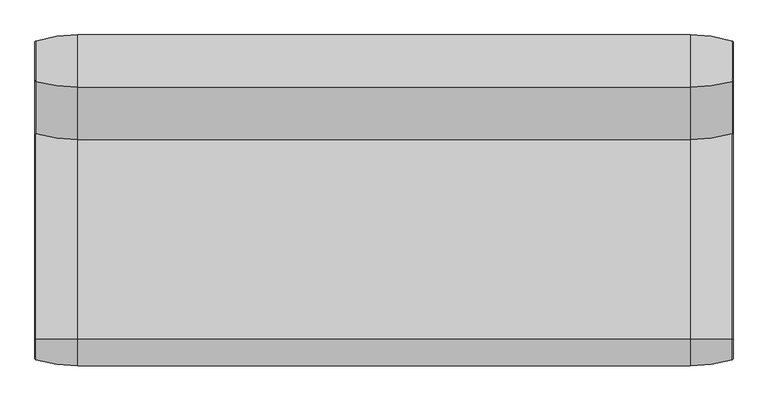
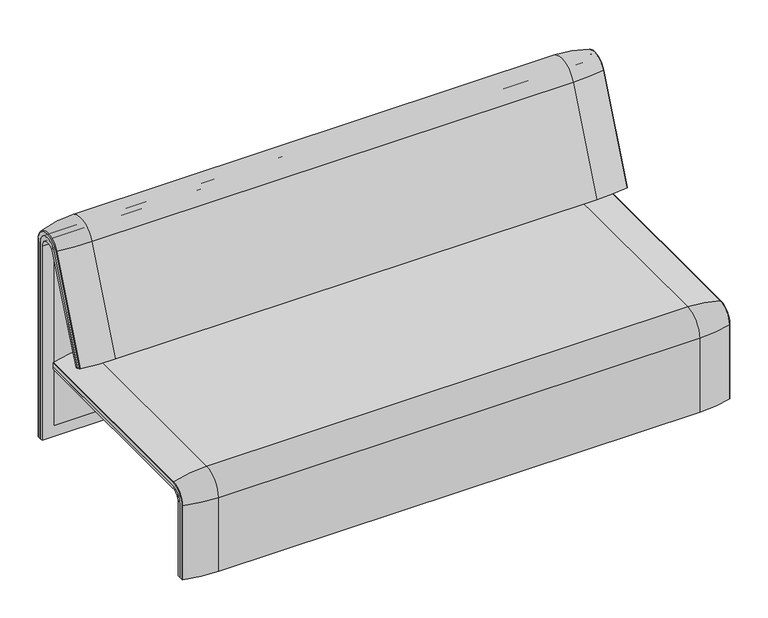
"""IFC4 building model written with IfcOpenShell, lengths in millimetres: furniture geometry."""

from ifc_helpers import new_model, si_unit, point, frame, frame_2d, origin, place, context, project, spatial, polyline, circle_curve, ellipse_curve, trimmed, segment, composite_curve, outline, extrude, source, transform, mapped, element, save
from ifc_brep_helpers import plane_surface, cylinder_surface, revolved_surface, advanced_brep


def furniture_72bfcc3a(model_context):
    return source(origin(), model_context, "Body", "SolidModel", [
        extrude(outline(composite_curve([segment(trimmed(circle_curve(frame_2d((305.0000061, 379.9223263)), 30.0), [point((305.0000061, 349.9223263))], [point((335.0000061, 379.9223263))], True, "CARTESIAN"), True, "CONTINUOUS"), segment(polyline([(335.0000061, 379.9223263), (335.0000061, 515.0657595)]), True, "CONTINUOUS"), segment(trimmed(circle_curve(frame_2d((305.0000061, 515.0657595)), 30.0), [point((335.0000061, 515.0657595))], [point((316.7219399, 542.6809051))], True, "CARTESIAN"), True, "CONTINUOUS"), segment(polyline([(316.7219399, 542.6809051), (257.4911714, 567.8228747)]), True, "CONTINUOUS"), segment(trimmed(circle_curve(frame_2d((251.6302045, 554.0153019)), 15.0), [point((257.4911714, 567.8228747))], [point((238.0355877, 560.3545758))], True, "CARTESIAN"), True, "CONTINUOUS"), segment(polyline([(238.0355877, 560.3545758), (222.2725218, 526.5505721), (213.7507451, 529.5682915), (296.3054528, 724.0549949)]), True, "CONTINUOUS"), segment(trimmed(circle_curve(frame_2d((322.520748, 712.9272623)), 28.479258), [point((296.3054528, 724.0549949))], [point((351.0000061, 712.9272623))], False, "CARTESIAN"), True, "CONTINUOUS"), segment(polyline([(351.0000061, 712.9272623), (351.0000061, 197.0551771), (343.3075759, 197.0551771), (339.4064861, 271.492405)]), True, "CONTINUOUS"), segment(trimmed(circle_curve(frame_2d((309.4476, 269.9223263)), 30.0), [point((339.4064861, 271.492405))], [point((309.4476, 299.9223263))], True, "CARTESIAN"), True, "CONTINUOUS"), segment(polyline([(309.4476, 299.9223263), (270.0000061, 299.9223263), (270.0000061, 359.9223263), (275.0000061, 359.9223263)]), True, "CONTINUOUS"), segment(trimmed(circle_curve(frame_2d((285.0000061, 359.9223263)), 10.0), [point((275.0000061, 359.9223263))], [point((285.0000061, 349.9223263))], True, "CARTESIAN"), True, "CONTINUOUS"), segment(polyline([(285.0000061, 349.9223263), (305.0000061, 349.9223263)]), True, "CONTINUOUS")], self_intersect=False), holes=[composite_curve([segment(polyline([(337.5000061, 576.3274105), (337.5000061, 716.7072663)]), True, "CONTINUOUS"), segment(trimmed(circle_curve(frame_2d((322.5000061, 716.7072663)), 15.0), [point((337.5000061, 716.7072663))], [point((308.9053893, 723.0465402))], True, "CARTESIAN"), True, "CONTINUOUS"), segment(polyline([(308.9053893, 723.0465402), (253.6256191, 604.4986904)]), True, "CONTINUOUS"), segment(trimmed(circle_curve(frame_2d((271.7517748, 596.0463251)), 20.0), [point((253.6256191, 604.4986904))], [point((265.0756376, 577.1934953))], True, "CARTESIAN"), True, "CONTINUOUS"), segment(polyline([(265.0756376, 577.1934953), (314.1406626, 559.8186587)]), True, "CONTINUOUS"), segment(trimmed(circle_curve(frame_2d((319.9867182, 576.3274105)), 17.5132879), [point((314.1406626, 559.8186587))], [point((337.5000061, 576.3274105))], True, "CARTESIAN"), True, "CONTINUOUS")], self_intersect=False)]), frame((530.986452, 0.0, 0.0), z_axis=(1.0, 0.0, 0.0), x_axis=(0.0, 1.0, 0.0)), (0.0, 0.0, 1.0), 40.0),
        extrude(outline(composite_curve([segment(trimmed(circle_curve(frame_2d((305.0000061, 379.9223263)), 30.0), [point((305.0000061, 349.9223263))], [point((335.0000061, 379.9223263))], True, "CARTESIAN"), True, "CONTINUOUS"), segment(polyline([(335.0000061, 379.9223263), (335.0000061, 515.0657595)]), True, "CONTINUOUS"), segment(trimmed(circle_curve(frame_2d((305.0000061, 515.0657595)), 30.0), [point((335.0000061, 515.0657595))], [point((316.7219399, 542.6809051))], True, "CARTESIAN"), True, "CONTINUOUS"), segment(polyline([(316.7219399, 542.6809051), (257.4911714, 567.8228747)]), True, "CONTINUOUS"), segment(trimmed(circle_curve(frame_2d((251.6302045, 554.0153019)), 15.0), [point((257.4911714, 567.8228747))], [point((238.0355877, 560.3545758))], True, "CARTESIAN"), True, "CONTINUOUS"), segment(polyline([(238.0355877, 560.3545758), (222.2725218, 526.5505721), (213.7507451, 529.5682915), (296.3054528, 724.0549949)]), True, "CONTINUOUS"), segment(trimmed(circle_curve(frame_2d((322.520748, 712.9272623)), 28.479258), [point((296.3054528, 724.0549949))], [point((351.0000061, 712.9272623))], False, "CARTESIAN"), True, "CONTINUOUS"), segment(polyline([(351.0000061, 712.9272623), (351.0000061, 197.0551771), (343.3075759, 197.0551771), (339.4064861, 271.492405)]), True, "CONTINUOUS"), segment(trimmed(circle_curve(frame_2d((309.4476, 269.9223263)), 30.0), [point((339.4064861, 271.492405))], [point((309.4476, 299.9223263))], True, "CARTESIAN"), True, "CONTINUOUS"), segment(polyline([(309.4476, 299.9223263), (270.0000061, 299.9223263), (270.0000061, 359.9223263), (275.0000061, 359.9223263)]), True, "CONTINUOUS"), segment(trimmed(circle_curve(frame_2d((285.0000061, 359.9223263)), 10.0), [point((275.0000061, 359.9223263))], [point((285.0000061, 349.9223263))], True, "CARTESIAN"), True, "CONTINUOUS"), segment(polyline([(285.0000061, 349.9223263), (305.0000061, 349.9223263)]), True, "CONTINUOUS")], self_intersect=False), holes=[composite_curve([segment(polyline([(337.5000061, 576.3274105), (337.5000061, 716.7072663)]), True, "CONTINUOUS"), segment(trimmed(circle_curve(frame_2d((322.5000061, 716.7072663)), 15.0), [point((337.5000061, 716.7072663))], [point((308.9053893, 723.0465402))], True, "CARTESIAN"), True, "CONTINUOUS"), segment(polyline([(308.9053893, 723.0465402), (253.6256191, 604.4986904)]), True, "CONTINUOUS"), segment(trimmed(circle_curve(frame_2d((271.7517748, 596.0463251)), 20.0), [point((253.6256191, 604.4986904))], [point((265.0756376, 577.1934953))], True, "CARTESIAN"), True, "CONTINUOUS"), segment(polyline([(265.0756376, 577.1934953), (314.1406626, 559.8186587)]), True, "CONTINUOUS"), segment(trimmed(circle_curve(frame_2d((319.9867182, 576.3274105)), 17.5132879), [point((314.1406626, 559.8186587))], [point((337.5000061, 576.3274105))], True, "CARTESIAN"), True, "CONTINUOUS")], self_intersect=False)]), frame((1060.9760457, 0.0, 0.0), z_axis=(1.0, 0.0, 0.0), x_axis=(0.0, 1.0, 0.0)), (0.0, 0.0, 1.0), 40.0),
        advanced_brep(
        [(1223.9884174, 351.0000061, 101.8476716), (1223.9884174, 359.7858817, 101.8476716), (1223.9884174, 359.7858817, 720.3417731), (1223.9884174, 292.4403877, 733.7122262), (1223.9884174, 170.1966807, 437.98305), (1223.9884174, 175.0204081, 435.9866665), (1223.9884174, 296.2458652, 723.9869215), (1223.9884174, 351.0000061, 712.9272623), (-408.0071685, 351.0000061, 101.8476716), (-408.0071685, 351.0000061, 712.9272623), (-408.0071685, 296.2720241, 723.9759107), (-408.0071685, 175.0204081, 435.9866665), (-408.0071685, 170.1966807, 437.98305), (-408.0071685, 292.4403877, 733.7122262), (-408.0071685, 359.7858817, 720.3417731), (-408.0071685, 359.7858817, 101.8476716), (1189.0718733, 292.4403877, 733.7122262), (1189.0718733, 176.0980387, 452.25948), (-373.1237127, 176.0980387, 452.25948), (-373.1237127, 292.4403877, 733.7122262), (-373.1237127, 296.2458652, 723.9869215), (-373.1237127, 181.0136548, 450.2250668), (1189.0718733, 181.0136548, 450.2250668), (1189.0718733, 296.2458652, 723.9869215), (1189.0718733, 351.0000061, 712.9272623), (1189.0718733, 351.0000061, 135.3766997), (-373.1237127, 351.0000061, 135.3766997), (-373.1237127, 351.0000061, 712.9272623), (-373.1237127, 359.7858817, 720.3417731), (-373.1237127, 359.7858817, 135.3766997), (1189.0718733, 359.7858817, 135.3766997), (1189.0718733, 359.7858817, 720.3417731)],
        [
            (0, 1),
            (1, 2),
            (2, 3, circle_curve(frame((1223.9884174, 324.7858817, 720.3417731), z_axis=(1.0, 0.0, 0.0), x_axis=(0.0, -1.0, 0.0)), 35.0)),
            (3, 4),
            (4, 5),
            (5, 6),
            (6, 7, circle_curve(frame((1223.9884174, 322.520748, 712.9272623), z_axis=(-1.0, 0.0, 0.0), x_axis=(0.0, -1.0, 0.0)), 28.479258)),
            (7, 0),
            (8, 9),
            (9, 10, circle_curve(frame((-408.0071685, 322.520748, 712.9272623), z_axis=(1.0, 0.0, 0.0), x_axis=(0.0, -1.0, 0.0)), 28.479258)),
            (10, 11),
            (11, 12),
            (12, 13),
            (13, 14, circle_curve(frame((-408.0071685, 324.7858817, 720.3417731), z_axis=(-1.0, 0.0, 0.0), x_axis=(0.0, -1.0, 0.0)), 35.0)),
            (14, 15),
            (15, 8),
            (3, 16),
            (16, 17),
            (17, 18),
            (18, 19),
            (19, 13),
            (12, 4),
            (11, 5),
            (10, 20),
            (20, 21),
            (21, 22),
            (22, 23),
            (23, 6),
            (7, 24),
            (24, 25),
            (25, 26),
            (26, 27),
            (27, 9),
            (8, 0),
            (15, 1),
            (14, 28),
            (28, 29),
            (29, 30),
            (30, 31),
            (31, 2),
            (31, 16, circle_curve(frame((1189.0718733, 324.7858817, 720.3417731), z_axis=(1.0, 0.0, 0.0), x_axis=(0.0, -1.0, 0.0)), 35.0)),
            (19, 28, circle_curve(frame((-373.1237127, 324.7858817, 720.3417731), z_axis=(-1.0, 0.0, 0.0), x_axis=(0.0, -1.0, 0.0)), 35.0)),
            (23, 24, circle_curve(frame((1189.0718733, 322.520748, 712.9272623), z_axis=(-1.0, 0.0, 0.0), x_axis=(0.0, -1.0, 0.0)), 28.479258)),
            (27, 20, circle_curve(frame((-373.1237127, 322.520748, 712.9272623), z_axis=(1.0, 0.0, 0.0), x_axis=(0.0, -1.0, 0.0)), 28.479258)),
            (22, 17),
            (30, 25),
            (26, 29),
            (18, 21),
        ],
        [
            plane_surface(frame((1223.9884174, 359.7858817, 101.8476716), z_axis=(1.0, 0.0, 0.0), x_axis=(0.0, 1.0, 0.0))),
            plane_surface(frame((-408.0071685, 359.7858817, 101.8476716), z_axis=(-1.0, 0.0, 0.0), x_axis=(0.0, -1.0, 0.0))),
            plane_surface(frame((1223.9884174, 292.4403877, 733.7122262), z_axis=(0.0, -0.9241569717933176, 0.3820129467515535), x_axis=(-1.0, 0.0, 0.0))),
            plane_surface(frame((1223.9884174, 170.1966807, 437.98305), z_axis=(0.0, -0.3824103944198279, -0.9239925812687414), x_axis=(-1.0, 0.0, 0.0))),
            plane_surface(frame((1223.9884174, 175.0204081, 435.9866665), z_axis=(0.0, 0.921678643444566, -0.3879542218073993), x_axis=(-1.0, 0.0, 0.0))),
            plane_surface(frame((1223.9884174, 351.0000061, 712.9272623), z_axis=(0.0, -1.0, 0.0), x_axis=(-1.0, 0.0, 0.0))),
            plane_surface(frame((1223.9884174, 351.0000061, 101.8476716), z_axis=(0.0, 0.0, -1.0), x_axis=(-1.0, 0.0, 0.0))),
            plane_surface(frame((1223.9884174, 359.7858817, 101.8476716), z_axis=(0.0, 1.0, 0.0), x_axis=(-1.0, 0.0, 0.0))),
            cylinder_surface(frame((-408.0071685, 324.7858817, 720.3417731), z_axis=(1.0, 0.0, 0.0), x_axis=(0.0, -1.0, 0.0)), 35.0),
            revolved_surface(polyline([(1189.0718733, 294.04149, 712.9272623), (1223.9884174, 294.04149, 712.9272623)]), (-408.0071685, 322.520748, 712.9272623), (-1.0, 0.0, 0.0)),
            revolved_surface(polyline([(-408.0071685, 294.04149, 712.9272623), (-373.1237127, 294.04149, 712.9272623)]), (-408.0071685, 322.520748, 712.9272623), (-1.0, 0.0, 0.0)),
            plane_surface(frame((1189.0718733, 359.7858817, 135.3766997), z_axis=(-1.0, 0.0, 0.0), x_axis=(0.0, 1.0, 0.0))),
            plane_surface(frame((-373.1237127, 359.7858817, 135.3766997), z_axis=(1.0, 0.0, 0.0), x_axis=(0.0, -1.0, 0.0))),
            plane_surface(frame((1189.0718733, 166.9120641, 456.0612553), z_axis=(0.0, 0.38241039441982605, 0.9239925812687422), x_axis=(-1.0, 0.0, 0.0))),
            plane_surface(frame((1189.0718733, 344.7858817, 135.3766997), z_axis=(0.0, 0.0, 1.0), x_axis=(-1.0, 0.0, 0.0))),
        ],
        [
            (0, [[1, 2, 3, 4, 5, 6, 7, 8]]),
            (1, [[9, 10, 11, 12, 13, 14, 15, 16]]),
            (2, [[-4, 17, 18, 19, 20, 21, -13, 22]]),
            (3, [[-5, -22, -12, 23]]),
            (4, [[-6, -23, -11, 24, 25, 26, 27, 28]]),
            (5, [[-8, 29, 30, 31, 32, 33, -9, 34]]),
            (6, [[-1, -34, -16, 35]]),
            (7, [[-2, -35, -15, 36, 37, 38, 39, 40]]),
            (8, [[-3, -40, 41, -17]]),
            (8, [[-14, -21, 42, -36]]),
            (9, [[-7, -28, 43, -29]]),
            (10, [[-10, -33, 44, -24]]),
            (11, [[45, -18, -41, -39, 46, -30, -43, -27]]),
            (12, [[47, -37, -42, -20, 48, -25, -44, -32]]),
            (13, [[-45, -26, -48, -19]]),
            (14, [[-46, -38, -47, -31]]),
        ],
    ),
        advanced_brep(
        [(1189.0718733, 351.0000061, 135.3766997), (1189.0718733, 359.7858817, 135.3766997), (1189.0718733, 359.7858817, 720.3417731), (1189.0718733, 292.4403877, 733.7122262), (1189.0718733, 176.0980387, 452.25948), (1189.0718733, 181.0136548, 450.2250668), (1189.0718733, 296.2458652, 723.9869215), (1189.0718733, 351.0000061, 712.9272623), (-373.1237127, 351.0000061, 135.3766997), (-373.1237127, 351.0000061, 712.9272623), (-373.1237127, 296.2720241, 723.9759107), (-373.1237127, 181.0136548, 450.2250668), (-373.1237127, 176.0980387, 452.25948), (-373.1237127, 292.4403877, 733.7122262), (-373.1237127, 359.7858817, 720.3417731), (-373.1237127, 359.7858817, 135.3766997)],
        [
            (0, 1),
            (1, 2),
            (2, 3, circle_curve(frame((1189.0718733, 324.7858817, 720.3417731), z_axis=(1.0, 0.0, 0.0), x_axis=(0.0, -1.0, 0.0)), 35.0)),
            (3, 4),
            (4, 5),
            (5, 6),
            (6, 7, circle_curve(frame((1189.0718733, 322.520748, 712.9272623), z_axis=(-1.0, 0.0, 0.0), x_axis=(0.0, -1.0, 0.0)), 28.479258)),
            (7, 0),
            (8, 9),
            (9, 10, circle_curve(frame((-373.1237127, 322.520748, 712.9272623), z_axis=(1.0, 0.0, 0.0), x_axis=(0.0, -1.0, 0.0)), 28.479258)),
            (10, 11),
            (11, 12),
            (12, 13),
            (13, 14, circle_curve(frame((-373.1237127, 324.7858817, 720.3417731), z_axis=(-1.0, 0.0, 0.0), x_axis=(0.0, -1.0, 0.0)), 35.0)),
            (14, 15),
            (15, 8),
            (3, 13),
            (12, 4),
            (11, 5),
            (10, 6),
            (7, 9),
            (8, 0),
            (15, 1),
            (14, 2),
        ],
        [
            plane_surface(frame((1189.0718733, 359.7858817, 135.3766997), z_axis=(1.0, 0.0, 0.0), x_axis=(0.0, 1.0, 0.0))),
            plane_surface(frame((-373.1237127, 359.7858817, 135.3766997), z_axis=(-1.0, 0.0, 0.0), x_axis=(0.0, -1.0, 0.0))),
            plane_surface(frame((1189.0718733, 292.4403877, 733.7122262), z_axis=(0.0, -0.9241569717933176, 0.3820129467515535), x_axis=(-1.0, 0.0, 0.0))),
            plane_surface(frame((1189.0718733, 176.0980387, 452.25948), z_axis=(0.0, -0.38241039441982716, -0.9239925812687417), x_axis=(-1.0, 0.0, 0.0))),
            plane_surface(frame((1189.0718733, 181.0136548, 450.2250668), z_axis=(0.0, 0.921678643444566, -0.3879542218073993), x_axis=(-1.0, 0.0, 0.0))),
            plane_surface(frame((1189.0718733, 351.0000061, 712.9272623), z_axis=(0.0, -1.0, 0.0), x_axis=(-1.0, 0.0, 0.0))),
            plane_surface(frame((1189.0718733, 351.0000061, 135.3766997), z_axis=(0.0, 0.0, -1.0), x_axis=(-1.0, 0.0, 0.0))),
            plane_surface(frame((1189.0718733, 359.7858817, 135.3766997), z_axis=(0.0, 1.0, 0.0), x_axis=(-1.0, 0.0, 0.0))),
            cylinder_surface(frame((-373.1237127, 324.7858817, 720.3417731), z_axis=(1.0, 0.0, 0.0), x_axis=(0.0, -1.0, 0.0)), 35.0),
            revolved_surface(polyline([(-373.1237127, 294.04149, 712.9272623), (1189.0718733, 294.04149, 712.9272623)]), (-373.1237127, 322.520748, 712.9272623), (-1.0, 0.0, 0.0)),
        ],
        [
            (0, [[1, 2, 3, 4, 5, 6, 7, 8]]),
            (1, [[9, 10, 11, 12, 13, 14, 15, 16]]),
            (2, [[-4, 17, -13, 18]]),
            (3, [[-5, -18, -12, 19]]),
            (4, [[-6, -19, -11, 20]]),
            (5, [[-8, 21, -9, 22]]),
            (6, [[-1, -22, -16, 23]]),
            (7, [[-2, -23, -15, 24]]),
            (8, [[-3, -24, -14, -17]]),
            (9, [[-7, -20, -10, -21]]),
        ],
    ),
        extrude(outline(composite_curve([segment(trimmed(circle_curve(frame_2d((305.0000061, 379.9223263)), 30.0), [point((305.0000061, 349.9223263))], [point((335.0000061, 379.9223263))], True, "CARTESIAN"), True, "CONTINUOUS"), segment(polyline([(335.0000061, 379.9223263), (335.0000061, 515.0657595)]), True, "CONTINUOUS"), segment(trimmed(circle_curve(frame_2d((305.0000061, 515.0657595)), 30.0), [point((335.0000061, 515.0657595))], [point((316.7219399, 542.6809051))], True, "CARTESIAN"), True, "CONTINUOUS"), segment(polyline([(316.7219399, 542.6809051), (257.4911714, 567.8228747)]), True, "CONTINUOUS"), segment(trimmed(circle_curve(frame_2d((251.6302045, 554.0153019)), 15.0), [point((257.4911714, 567.8228747))], [point((238.0355877, 560.3545758))], True, "CARTESIAN"), True, "CONTINUOUS"), segment(polyline([(238.0355877, 560.3545758), (222.2725218, 526.5505721), (213.7507451, 529.5682915), (296.3054528, 724.0549949)]), True, "CONTINUOUS"), segment(trimmed(circle_curve(frame_2d((322.520748, 712.9272623)), 28.479258), [point((296.3054528, 724.0549949))], [point((351.0000061, 712.9272623))], False, "CARTESIAN"), True, "CONTINUOUS"), segment(polyline([(351.0000061, 712.9272623), (351.0000061, 197.0551771), (343.3075759, 197.0551771), (339.4064861, 271.492405)]), True, "CONTINUOUS"), segment(trimmed(circle_curve(frame_2d((309.4476, 269.9223263)), 30.0), [point((339.4064861, 271.492405))], [point((309.4476, 299.9223263))], True, "CARTESIAN"), True, "CONTINUOUS"), segment(polyline([(309.4476, 299.9223263), (270.0000061, 299.9223263), (270.0000061, 359.9223263), (275.0000061, 359.9223263)]), True, "CONTINUOUS"), segment(trimmed(circle_curve(frame_2d((285.0000061, 359.9223263)), 10.0), [point((275.0000061, 359.9223263))], [point((285.0000061, 349.9223263))], True, "CARTESIAN"), True, "CONTINUOUS"), segment(polyline([(285.0000061, 349.9223263), (305.0000061, 349.9223263)]), True, "CONTINUOUS")], self_intersect=False), holes=[composite_curve([segment(polyline([(337.5000061, 576.3274105), (337.5000061, 716.7072663)]), True, "CONTINUOUS"), segment(trimmed(circle_curve(frame_2d((322.5000061, 716.7072663)), 15.0), [point((337.5000061, 716.7072663))], [point((308.9053893, 723.0465402))], True, "CARTESIAN"), True, "CONTINUOUS"), segment(polyline([(308.9053893, 723.0465402), (253.6256191, 604.4986904)]), True, "CONTINUOUS"), segment(trimmed(circle_curve(frame_2d((271.7517748, 596.0463251)), 20.0), [point((253.6256191, 604.4986904))], [point((265.0756376, 577.1934953))], True, "CARTESIAN"), True, "CONTINUOUS"), segment(polyline([(265.0756376, 577.1934953), (314.1406626, 559.8186587)]), True, "CONTINUOUS"), segment(trimmed(circle_curve(frame_2d((319.9867182, 576.3274105)), 17.5132879), [point((314.1406626, 559.8186587))], [point((337.5000061, 576.3274105))], True, "CARTESIAN"), True, "CONTINUOUS")], self_intersect=False)]), frame((244.9617086, 0.0, 0.0), z_axis=(1.0, 0.0, 0.0), x_axis=(0.0, 1.0, 0.0)), (0.0, 0.0, 1.0), 40.0),
        advanced_brep(
        [(1123.9884174, 388.2902376, 100.5089435), (1221.8497889, 373.93893, 100.5089435), (1223.9884174, 371.0652495, 100.5089435), (1223.9884174, 359.7858817, 100.5089435), (-408.0402568, 359.7858817, 100.5089435), (-408.0402568, 371.0652495, 100.5089435), (-405.9016283, 373.93893, 100.5089435), (-308.0402568, 388.2902376, 100.5089435), (-308.0402568, 388.2902376, 720.3417731), (1123.9884174, 388.2902376, 720.3417731), (1221.8497889, 373.93893, 720.3417731), (1223.9884174, 371.0652495, 720.3417731), (1223.9884174, 282.0164812, 738.0210907), (1223.9884174, 159.7723383, 442.2908598), (1223.9884174, 170.1962447, 437.9819952), (1223.9884174, 292.4403877, 733.7122262), (1223.9884174, 359.7858817, 720.3417731), (-408.0402568, 359.7858817, 720.3417731), (1123.9884174, 143.8537454, 448.8710282), (-308.0402568, 143.8537454, 448.8710282), (-405.9016283, 157.1166065, 443.3886429), (-408.0402568, 159.7723383, 442.2908598), (-408.0402568, 170.1962447, 437.9819952), (1221.8497889, 157.1166065, 443.3886429), (1123.9884174, 266.0978884, 744.6012592), (-308.0402568, 266.0978884, 744.6012592), (1221.8497889, 279.3607494, 739.1188739), (-408.0402568, 292.4403877, 733.7122262), (-408.0402568, 282.0164812, 738.0210907), (-408.0402568, 371.0652495, 720.3417731), (-405.9016283, 373.93893, 720.3417731), (-405.9016283, 279.3607494, 739.1188739)],
        [
            (0, 1, circle_curve(frame((1123.9884174, 47.4569043, 100.5089435), z_axis=(0.0, 0.0, -1.0), x_axis=(0.0, -1.0, 0.0)), 340.8333333)),
            (1, 2, circle_curve(frame((1220.9884174, 371.0652495, 100.5089435), z_axis=(0.0, 0.0, -1.0), x_axis=(1.0, 0.0, 0.0)), 3.0)),
            (2, 3),
            (3, 4),
            (4, 5),
            (5, 6, circle_curve(frame((-405.0402568, 371.0652495, 100.5089435), z_axis=(0.0, 0.0, -1.0), x_axis=(-1.0, 0.0, 0.0)), 3.0)),
            (6, 7, circle_curve(frame((-308.0402568, 47.4569043, 100.5089435), z_axis=(0.0, 0.0, -1.0), x_axis=(0.0, -1.0, 0.0)), 340.8333333)),
            (7, 0),
            (7, 8),
            (8, 9),
            (9, 0),
            (9, 10, circle_curve(frame((1123.9884174, 47.4569043, 720.3417731), z_axis=(0.0, 0.0, -1.0), x_axis=(0.0, -1.0, 0.0)), 340.8333333)),
            (10, 1),
            (10, 11, circle_curve(frame((1220.9884174, 371.0652495, 720.3417731), z_axis=(0.0, 0.0, -1.0), x_axis=(1.0, 0.0, 0.0)), 3.0)),
            (11, 2),
            (11, 12, circle_curve(frame((1223.9884174, 324.7858817, 720.3417731), z_axis=(1.0, 0.0, 0.0), x_axis=(0.0, 1.0, 0.0)), 46.2793679)),
            (12, 13),
            (13, 14),
            (14, 15),
            (15, 16, circle_curve(frame((1223.9884174, 324.7858817, 720.3417731), z_axis=(-1.0, 0.0, 0.0), x_axis=(0.0, 1.0, 0.0)), 35.0)),
            (16, 3),
            (16, 17),
            (17, 4),
            (18, 19),
            (19, 20, circle_curve(frame((-308.0402568, 458.8372467, 318.6682822), z_axis=(0.0, -0.38201294675155345, -0.9241569717933176), x_axis=(0.0, 0.9241569717933176, -0.38201294675155345)), 340.8333333)),
            (20, 21, circle_curve(frame((-405.0402568, 159.7723383, 442.2908598), z_axis=(0.0, -0.38201294675155345, -0.9241569717933176), x_axis=(-1.0, 0.0, 0.0)), 3.0)),
            (21, 22),
            (22, 14),
            (13, 23, circle_curve(frame((1220.9884174, 159.7723383, 442.2908598), z_axis=(0.0, -0.38201294675155345, -0.9241569717933176), x_axis=(1.0, 0.0, 0.0)), 3.0)),
            (23, 18, circle_curve(frame((1123.9884174, 458.8372467, 318.6682822), z_axis=(0.0, -0.38201294675155345, -0.9241569717933176), x_axis=(0.0, 0.9241569717933176, -0.38201294675155345)), 340.8333333)),
            (24, 9, circle_curve(frame((1123.9884174, 324.7858817, 720.3417731), z_axis=(-1.0, 0.0, 0.0), x_axis=(0.0, 1.0, 0.0)), 63.5043559)),
            (8, 25, circle_curve(frame((-308.0402568, 324.7858817, 720.3417731), z_axis=(1.0, 0.0, 0.0), x_axis=(0.0, 1.0, 0.0)), 63.5043559)),
            (25, 24),
            (26, 10, circle_curve(frame((1221.8497889, 324.7858817, 720.3417731), z_axis=(-1.0, 0.0, 0.0), x_axis=(0.0, 1.0, 0.0)), 49.1530483)),
            (24, 26, circle_curve(frame((1123.9884174, 581.0813896, 614.3985132), z_axis=(0.0, 0.3820129467515556, 0.9241569717933167), x_axis=(0.0, 0.9241569717933167, -0.3820129467515556)), 340.8333333)),
            (26, 12, circle_curve(frame((1220.9884174, 282.0164812, 738.0210907), z_axis=(0.0, 0.3820129467515548, 0.924156971793317), x_axis=(1.0, 0.0, 0.0)), 3.0)),
            (27, 17, circle_curve(frame((-408.0402568, 324.7858817, 720.3417731), z_axis=(-1.0, 0.0, 0.0), x_axis=(0.0, 1.0, 0.0)), 35.0)),
            (15, 27),
            (25, 19),
            (18, 24),
            (23, 26),
            (22, 27),
            (21, 28),
            (28, 29, circle_curve(frame((-408.0402568, 324.7858817, 720.3417731), z_axis=(-1.0, 0.0, 0.0), x_axis=(0.0, 1.0, 0.0)), 46.2793679)),
            (29, 5),
            (29, 30, circle_curve(frame((-405.0402568, 371.0652495, 720.3417731), z_axis=(0.0, 0.0, -1.0), x_axis=(-1.0, 0.0, 0.0)), 3.0)),
            (30, 6),
            (30, 8, circle_curve(frame((-308.0402568, 47.4569043, 720.3417731), z_axis=(0.0, 0.0, -1.0), x_axis=(0.0, -1.0, 0.0)), 340.8333333)),
            (31, 30, circle_curve(frame((-405.9016283, 324.7858817, 720.3417731), z_axis=(-1.0, 0.0, 0.0), x_axis=(0.0, 1.0, 0.0)), 49.1530483)),
            (28, 31, circle_curve(frame((-405.0402568, 282.0164812, 738.0210907), z_axis=(0.0, 0.382012946751554, 0.9241569717933174), x_axis=(-1.0, 0.0, 0.0)), 3.0)),
            (31, 25, circle_curve(frame((-308.0402568, 581.0813896, 614.3985132), z_axis=(0.0, 0.382012946751554, 0.9241569717933174), x_axis=(0.0, 0.9241569717933174, -0.382012946751554)), 340.8333333)),
            (20, 31),
        ],
        [
            plane_surface(frame((4.731935, 359.7858817, 100.5089435), z_axis=(0.0, 0.0, -1.0), x_axis=(1.0, 0.0, 0.0))),
            plane_surface(frame((-308.0402568, 388.2902376, 100.5089435), z_axis=(0.0, 1.0, 0.0), x_axis=(0.0, 0.0, 1.0))),
            cylinder_surface(frame((1123.9884174, 47.4569043, 100.5089435), z_axis=(0.0, 0.0, -1.0), x_axis=(0.0, -1.0, 0.0)), 340.8333333),
            cylinder_surface(frame((1220.9884174, 371.0652495, 100.5089435), z_axis=(0.0, 0.0, -1.0), x_axis=(1.0, 0.0, 0.0)), 3.0),
            plane_surface(frame((1223.9884174, 371.0652495, 100.5089435), z_axis=(1.0, 0.0, 0.0), x_axis=(0.0, 0.0, 1.0))),
            plane_surface(frame((1223.9884174, 359.7858817, 100.5089435), z_axis=(0.0, -1.0, 0.0), x_axis=(0.0, 0.0, 1.0))),
            plane_surface(frame((4.731935, 170.1962447, 437.9819952), z_axis=(0.0, -0.38201294675155345, -0.9241569717933176), x_axis=(1.0, 0.0, 0.0))),
            cylinder_surface(frame((4.731935, 324.7858817, 720.3417731), z_axis=(1.0, 0.0, 0.0), x_axis=(0.0, 1.0, 0.0)), 63.5043559),
            revolved_surface(trimmed(ellipse_curve(frame((1123.9884174, 47.4569043, 720.3417731), z_axis=(0.0, 0.0, -1.0), x_axis=(0.0, -1.0, 0.0)), 340.8333333, 340.8333333), [point((1123.9884174, 388.2902376, 720.3417731))], [point((1221.8497889, 373.93893, 720.3417731))], True, "CARTESIAN"), (4.731935, 324.7858817, 720.3417731), (1.0, 0.0, 0.0)),
            revolved_surface(trimmed(ellipse_curve(frame((1220.9884174, 371.0652495, 720.3417731), z_axis=(0.0, 0.0, -1.0), x_axis=(1.0, 0.0, 0.0)), 3.0, 3.0), [point((1221.8497889, 373.93893, 720.3417731))], [point((1223.9884174, 371.0652495, 720.3417731))], True, "CARTESIAN"), (4.731935, 324.7858817, 720.3417731), (1.0, 0.0, 0.0)),
            revolved_surface(polyline([(1223.9884174, 359.7858817, 720.3417731), (-408.0402568, 359.7858817, 720.3417731)]), (4.731935, 324.7858817, 720.3417731), (1.0, 0.0, 0.0)),
            plane_surface(frame((-308.0402568, 266.0978884, 744.6012592), z_axis=(0.0, -0.9241569717933174, 0.38201294675155406), x_axis=(0.0, -0.38201294675155406, -0.9241569717933174))),
            cylinder_surface(frame((1123.9884174, 581.0813896, 614.3985132), z_axis=(0.0, 0.38201294675155345, 0.9241569717933176), x_axis=(0.0, 0.9241569717933176, -0.38201294675155345)), 340.8333333),
            cylinder_surface(frame((1220.9884174, 282.0164812, 738.0210907), z_axis=(0.0, 0.38201294675155345, 0.9241569717933176), x_axis=(1.0, 0.0, 0.0)), 3.0),
            plane_surface(frame((1223.9884174, 292.4403877, 733.7122262), z_axis=(0.0, 0.9241569717933175, -0.3820129467515539), x_axis=(0.0, -0.3820129467515539, -0.9241569717933175))),
            plane_surface(frame((-408.0402568, 359.7858817, 100.5089435), z_axis=(-1.0, 0.0, 0.0), x_axis=(0.0, 0.0, 1.0))),
            cylinder_surface(frame((-405.0402568, 371.0652495, 100.5089435), z_axis=(0.0, 0.0, -1.0), x_axis=(-1.0, 0.0, 0.0)), 3.0),
            cylinder_surface(frame((-308.0402568, 47.4569043, 100.5089435), z_axis=(0.0, 0.0, -1.0), x_axis=(0.0, -1.0, 0.0)), 340.8333333),
            revolved_surface(trimmed(ellipse_curve(frame((-405.0402568, 371.0652495, 720.3417731), z_axis=(0.0, 0.0, -1.0), x_axis=(-1.0, 0.0, 0.0)), 3.0, 3.0), [point((-408.0402568, 371.0652495, 720.3417731))], [point((-405.9016283, 373.93893, 720.3417731))], True, "CARTESIAN"), (4.731935, 324.7858817, 720.3417731), (1.0, 0.0, 0.0)),
            revolved_surface(trimmed(ellipse_curve(frame((-308.0402568, 47.4569043, 720.3417731), z_axis=(0.0, 0.0, -1.0), x_axis=(0.0, -1.0, 0.0)), 340.8333333, 340.8333333), [point((-405.9016283, 373.93893, 720.3417731))], [point((-308.0402568, 388.2902376, 720.3417731))], True, "CARTESIAN"), (4.731935, 324.7858817, 720.3417731), (1.0, 0.0, 0.0)),
            cylinder_surface(frame((-405.0402568, 282.0164812, 738.0210907), z_axis=(0.0, 0.38201294675155345, 0.9241569717933176), x_axis=(-1.0, 0.0, 0.0)), 3.0),
            cylinder_surface(frame((-308.0402568, 581.0813896, 614.3985132), z_axis=(0.0, 0.38201294675155345, 0.9241569717933176), x_axis=(0.0, 0.9241569717933176, -0.38201294675155345)), 340.8333333),
        ],
        [
            (0, [[1, 2, 3, 4, 5, 6, 7, 8]]),
            (1, [[-8, 9, 10, 11]]),
            (2, [[-1, -11, 12, 13]]),
            (3, [[-2, -13, 14, 15]]),
            (4, [[-3, -15, 16, 17, 18, 19, 20, 21]]),
            (5, [[-4, -21, 22, 23]]),
            (6, [[24, 25, 26, 27, 28, -18, 29, 30]]),
            (7, [[31, -10, 32, 33]]),
            (8, [[34, -12, -31, 35]]),
            (9, [[-16, -14, -34, 36]]),
            (10, [[37, -22, -20, 38]]),
            (11, [[-33, 39, -24, 40]]),
            (12, [[-35, -40, -30, 41]]),
            (13, [[-36, -41, -29, -17]]),
            (14, [[-38, -19, -28, 42]]),
            (15, [[-5, -23, -37, -42, -27, 43, 44, 45]]),
            (16, [[-6, -45, 46, 47]]),
            (17, [[-7, -47, 48, -9]]),
            (18, [[49, -46, -44, 50]]),
            (19, [[-32, -48, -49, 51]]),
            (20, [[-50, -43, -26, 52]]),
            (21, [[-51, -52, -25, -39]]),
        ],
    ),
        extrude(outline(composite_curve([segment(trimmed(circle_curve(frame_2d((305.0000061, 379.9223263)), 30.0), [point((305.0000061, 349.9223263))], [point((335.0000061, 379.9223263))], True, "CARTESIAN"), True, "CONTINUOUS"), segment(polyline([(335.0000061, 379.9223263), (335.0000061, 515.0657595)]), True, "CONTINUOUS"), segment(trimmed(circle_curve(frame_2d((305.0000061, 515.0657595)), 30.0), [point((335.0000061, 515.0657595))], [point((316.7219399, 542.6809051))], True, "CARTESIAN"), True, "CONTINUOUS"), segment(polyline([(316.7219399, 542.6809051), (257.4911714, 567.8228747)]), True, "CONTINUOUS"), segment(trimmed(circle_curve(frame_2d((251.6302045, 554.0153019)), 15.0), [point((257.4911714, 567.8228747))], [point((238.0355877, 560.3545758))], True, "CARTESIAN"), True, "CONTINUOUS"), segment(polyline([(238.0355877, 560.3545758), (222.2725218, 526.5505721), (213.7507451, 529.5682915), (296.3054528, 724.0549949)]), True, "CONTINUOUS"), segment(trimmed(circle_curve(frame_2d((322.520748, 712.9272623)), 28.479258), [point((296.3054528, 724.0549949))], [point((351.0000061, 712.9272623))], False, "CARTESIAN"), True, "CONTINUOUS"), segment(polyline([(351.0000061, 712.9272623), (351.0000061, 197.0551771), (343.3075759, 197.0551771), (339.4064861, 271.492405)]), True, "CONTINUOUS"), segment(trimmed(circle_curve(frame_2d((309.4476, 269.9223263)), 30.0), [point((339.4064861, 271.492405))], [point((309.4476, 299.9223263))], True, "CARTESIAN"), True, "CONTINUOUS"), segment(polyline([(309.4476, 299.9223263), (270.0000061, 299.9223263), (270.0000061, 359.9223263), (275.0000061, 359.9223263)]), True, "CONTINUOUS"), segment(trimmed(circle_curve(frame_2d((285.0000061, 359.9223263)), 10.0), [point((275.0000061, 359.9223263))], [point((285.0000061, 349.9223263))], True, "CARTESIAN"), True, "CONTINUOUS"), segment(polyline([(285.0000061, 349.9223263), (305.0000061, 349.9223263)]), True, "CONTINUOUS")], self_intersect=False), holes=[composite_curve([segment(polyline([(337.5000061, 576.3274105), (337.5000061, 716.7072663)]), True, "CONTINUOUS"), segment(trimmed(circle_curve(frame_2d((322.5000061, 716.7072663)), 15.0), [point((337.5000061, 716.7072663))], [point((308.9053893, 723.0465402))], True, "CARTESIAN"), True, "CONTINUOUS"), segment(polyline([(308.9053893, 723.0465402), (253.6256191, 604.4986904)]), True, "CONTINUOUS"), segment(trimmed(circle_curve(frame_2d((271.7517748, 596.0463251)), 20.0), [point((253.6256191, 604.4986904))], [point((265.0756376, 577.1934953))], True, "CARTESIAN"), True, "CONTINUOUS"), segment(polyline([(265.0756376, 577.1934953), (314.1406626, 559.8186587)]), True, "CONTINUOUS"), segment(trimmed(circle_curve(frame_2d((319.9867182, 576.3274105)), 17.5132879), [point((314.1406626, 559.8186587))], [point((337.5000061, 576.3274105))], True, "CARTESIAN"), True, "CONTINUOUS")], self_intersect=False)]), frame((-285.0278851, 0.0, 0.0), z_axis=(1.0, 0.0, 0.0), x_axis=(0.0, 1.0, 0.0)), (0.0, 0.0, 1.0), 40.0),
        advanced_brep(
        [(-407.9906244, 295.0, 359.922434), (-407.9906244, -323.7517936, 359.922434), (-407.9906244, -351.0, 332.6742277), (-407.9906244, -351.0, 100.5089435), (-407.9906244, -357.5, 100.5089435), (-407.9906244, -357.5, 333.0583003), (-407.9906244, -324.3858663, 366.172434), (-407.9906244, 295.0, 366.172434), (1223.9718733, 295.0, 359.922434), (1223.9718733, 295.0, 366.172434), (1223.9718733, -324.3858663, 366.172434), (1223.9718733, -357.5, 333.0583003), (1223.9718733, -357.5, 100.5089435), (1223.9718733, -351.0, 100.5089435), (1223.9718733, -351.0, 332.6742277), (1223.9718733, -323.7517936, 359.922434), (-373.0906244, -324.3858663, 366.172434), (-373.0906244, 260.0, 366.172434), (1189.0718733, 260.0, 366.172434), (1189.0718733, -324.3858663, 366.172434), (-373.0906244, -357.5, 333.0583003), (1189.0718733, -357.5, 333.0583003), (1189.0718733, -357.5, 135.3766997), (-373.0906244, -357.5, 135.3766997), (-373.0906244, -351.0, 332.6742277), (-373.0906244, -351.0, 135.3766997), (1189.0718733, -351.0, 135.3766997), (1189.0718733, -351.0, 332.6742277), (-373.0906244, -323.7517936, 359.922434), (1189.0718733, -323.7517936, 359.922434), (1189.0718733, 260.0, 359.922434), (-373.0906244, 260.0, 359.922434)],
        [
            (0, 1),
            (1, 2, circle_curve(frame((-407.9906244, -323.7517936, 332.6742277), z_axis=(1.0, 0.0, 0.0), x_axis=(0.0, -1.0, 0.0)), 27.2482064)),
            (2, 3),
            (3, 4),
            (4, 5),
            (5, 6, circle_curve(frame((-407.9906244, -324.3858663, 333.0583003), z_axis=(-1.0, 0.0, 0.0), x_axis=(0.0, -1.0, 0.0)), 33.1141337)),
            (6, 7),
            (7, 0),
            (8, 9),
            (9, 10),
            (10, 11, circle_curve(frame((1223.9718733, -324.3858663, 333.0583003), z_axis=(1.0, 0.0, 0.0), x_axis=(0.0, -1.0, 0.0)), 33.1141337)),
            (11, 12),
            (12, 13),
            (13, 14),
            (14, 15, circle_curve(frame((1223.9718733, -323.7517936, 332.6742277), z_axis=(-1.0, 0.0, 0.0), x_axis=(0.0, -1.0, 0.0)), 27.2482064)),
            (15, 8),
            (7, 9),
            (8, 0),
            (6, 16),
            (16, 17),
            (17, 18),
            (18, 19),
            (19, 10),
            (5, 20),
            (20, 16, circle_curve(frame((-373.0906244, -324.3858663, 333.0583003), z_axis=(-1.0, 0.0, 0.0), x_axis=(0.0, -1.0, 0.0)), 33.1141337)),
            (19, 21, circle_curve(frame((1189.0718733, -324.3858663, 333.0583003), z_axis=(1.0, 0.0, 0.0), x_axis=(0.0, -1.0, 0.0)), 33.1141337)),
            (21, 11),
            (4, 12),
            (21, 22),
            (22, 23),
            (23, 20),
            (3, 13),
            (2, 24),
            (24, 25),
            (25, 26),
            (26, 27),
            (27, 14),
            (1, 28),
            (28, 24, circle_curve(frame((-373.0906244, -323.7517936, 332.6742277), z_axis=(1.0, 0.0, 0.0), x_axis=(0.0, -1.0, 0.0)), 27.2482064)),
            (27, 29, circle_curve(frame((1189.0718733, -323.7517936, 332.6742277), z_axis=(-1.0, 0.0, 0.0), x_axis=(0.0, -1.0, 0.0)), 27.2482064)),
            (29, 15),
            (29, 30),
            (30, 31),
            (31, 28),
            (31, 17),
            (23, 25),
            (26, 22),
            (18, 30),
        ],
        [
            plane_surface(frame((-407.9906244, -296.9265415, 359.922434), z_axis=(-1.0, 0.0, 0.0), x_axis=(0.0, -1.0, 0.0))),
            plane_surface(frame((1223.9718733, -296.9265415, 359.922434), z_axis=(1.0, 0.0, 0.0), x_axis=(0.0, 1.0, 0.0))),
            plane_surface(frame((-407.9906244, 295.0, 366.172434), z_axis=(0.0, 1.0, 0.0), x_axis=(1.0, 0.0, 0.0))),
            plane_surface(frame((-407.9906244, -324.3858663, 366.172434), z_axis=(0.0, 0.0, 1.0), x_axis=(1.0, 0.0, 0.0))),
            cylinder_surface(frame((1223.9718733, -324.3858663, 333.0583003), z_axis=(-1.0, 0.0, 0.0), x_axis=(0.0, -1.0, 0.0)), 33.1141337),
            plane_surface(frame((-407.9906244, -357.5, 100.5089435), z_axis=(0.0, -1.0, 0.0), x_axis=(1.0, 0.0, 0.0))),
            plane_surface(frame((-407.9906244, -351.0, 100.5089435), z_axis=(0.0, 0.0, -1.0), x_axis=(1.0, 0.0, 0.0))),
            plane_surface(frame((-407.9906244, -351.0, 332.6742277), z_axis=(0.0, 1.0, 0.0), x_axis=(1.0, 0.0, 0.0))),
            revolved_surface(polyline([(-373.0906244, -351.0, 332.6742277), (-407.9906243999999, -351.0, 332.6742277)]), (1223.9718733, -323.7517936, 332.6742277), (1.0, 0.0, 0.0)),
            revolved_surface(polyline([(1223.9718733, -351.0, 332.6742277), (1189.0718733, -351.0, 332.6742277)]), (1223.9718733, -323.7517936, 332.6742277), (1.0, 0.0, 0.0)),
            plane_surface(frame((-407.9906244, 295.0, 359.922434), z_axis=(0.0, 0.0, -1.0), x_axis=(1.0, 0.0, 0.0))),
            plane_surface(frame((-373.0906244, -296.9265415, 359.922434), z_axis=(1.0, 0.0, 0.0), x_axis=(0.0, -1.0, 0.0))),
            plane_surface(frame((1189.0718733, -296.9265415, 359.922434), z_axis=(-1.0, 0.0, 0.0), x_axis=(0.0, 1.0, 0.0))),
            plane_surface(frame((-373.0906244, 260.0, 366.172434), z_axis=(0.0, -1.0, 0.0), x_axis=(1.0, 0.0, 0.0))),
            plane_surface(frame((-373.0906244, -351.0, 135.3766997), z_axis=(0.0, 0.0, 1.0), x_axis=(1.0, 0.0, 0.0))),
        ],
        [
            (0, [[1, 2, 3, 4, 5, 6, 7, 8]]),
            (1, [[9, 10, 11, 12, 13, 14, 15, 16]]),
            (2, [[-8, 17, -9, 18]]),
            (3, [[-7, 19, 20, 21, 22, 23, -10, -17]]),
            (4, [[-6, 24, 25, -19]]),
            (4, [[-11, -23, 26, 27]]),
            (5, [[-5, 28, -12, -27, 29, 30, 31, -24]]),
            (6, [[-4, 32, -13, -28]]),
            (7, [[-3, 33, 34, 35, 36, 37, -14, -32]]),
            (8, [[-2, 38, 39, -33]]),
            (9, [[-15, -37, 40, 41]]),
            (10, [[-1, -18, -16, -41, 42, 43, 44, -38]]),
            (11, [[45, -20, -25, -31, 46, -34, -39, -44]]),
            (12, [[47, -29, -26, -22, 48, -42, -40, -36]]),
            (13, [[-45, -43, -48, -21]]),
            (14, [[-46, -30, -47, -35]]),
        ],
    ),
        extrude(outline(composite_curve([segment(polyline([(260.0, 359.922434), (-323.7517936, 359.922434)]), True, "CONTINUOUS"), segment(trimmed(circle_curve(frame_2d((-323.7517936, 332.6742277)), 27.2482064), [point((-323.7517936, 359.922434))], [point((-351.0, 332.6742277))], True, "CARTESIAN"), True, "CONTINUOUS"), segment(polyline([(-351.0, 332.6742277), (-351.0, 135.3766997), (-357.5, 135.3766997), (-357.5, 333.0583003)]), True, "CONTINUOUS"), segment(trimmed(circle_curve(frame_2d((-324.3858663, 333.0583003)), 33.1141337), [point((-357.5, 333.0583003))], [point((-324.3858663, 366.172434))], False, "CARTESIAN"), True, "CONTINUOUS"), segment(polyline([(-324.3858663, 366.172434), (260.0, 366.172434), (260.0, 359.922434)]), True, "CONTINUOUS")], self_intersect=False)), frame((-373.0906244, 0.0, 0.0), z_axis=(1.0, 0.0, 0.0), x_axis=(0.0, 1.0, 0.0)), (0.0, 0.0, 1.0), 1562.1624977),
        advanced_brep(
        [(-407.9906244, -368.7793679, 100.5089435), (-407.9906244, -357.5, 100.5089435), (1223.9718733, -357.5, 100.5089435), (1223.9718733, -368.7793679, 100.5089435), (1221.8332448, -371.6530483, 100.5089435), (1123.9718733, -386.0043559, 100.5089435), (-307.9906244, -386.0043559, 100.5089435), (-405.8519959, -371.6530483, 100.5089435), (-407.9906244, 295.0, 377.4518019), (-405.8519959, 295.0, 380.3254823), (-307.9906244, 295.0, 394.67679), (1123.9718733, 295.0, 394.67679), (1221.8332448, 295.0, 380.3254823), (1223.9718733, 295.0, 377.4518019), (1223.9718733, 295.0, 366.172434), (-407.9906244, 295.0, 366.172434), (-407.9906244, -368.7793679, 333.0583003), (-407.9906244, -324.3858663, 377.4518019), (-407.9906244, -324.3858663, 366.172434), (-407.9906244, -357.5, 333.0583003), (1223.9718733, -357.5, 333.0583003), (1123.9718733, -386.0043559, 333.0583003), (-307.9906244, -386.0043559, 333.0583003), (-405.8519959, -371.6530483, 333.0583003), (1223.9718733, -324.3858663, 366.172434), (-307.9906244, -324.3858663, 394.67679), (1123.9718733, -324.3858663, 394.67679), (-405.8519959, -324.3858663, 380.3254823), (1223.9718733, -324.3858663, 377.4518019), (1223.9718733, -368.7793679, 333.0583003), (1221.8332448, -371.6530483, 333.0583003), (1221.8332448, -324.3858663, 380.3254823)],
        [
            (0, 1),
            (1, 2),
            (2, 3),
            (3, 4, circle_curve(frame((1220.9718733, -368.7793679, 100.5089435), z_axis=(0.0, 0.0, -1.0), x_axis=(-1.0, 0.0, 0.0)), 3.0)),
            (4, 5, circle_curve(frame((1123.9718733, -45.1710226, 100.5089435), z_axis=(0.0, 0.0, -1.0), x_axis=(0.0, 1.0, 0.0)), 340.8333333)),
            (5, 6),
            (6, 7, circle_curve(frame((-307.9906244, -45.1710226, 100.5089435), z_axis=(0.0, 0.0, -1.0), x_axis=(0.0, 1.0, 0.0)), 340.8333333)),
            (7, 0, circle_curve(frame((-404.9906244, -368.7793679, 100.5089435), z_axis=(0.0, 0.0, -1.0), x_axis=(1.0, 0.0, 0.0)), 3.0)),
            (8, 9, circle_curve(frame((-404.9906244, 295.0, 377.4518019), z_axis=(0.0, 1.0, 0.0), x_axis=(1.0, 0.0, 0.0)), 3.0)),
            (9, 10, circle_curve(frame((-307.9906244, 295.0, 53.8434566), z_axis=(0.0, 1.0, 0.0), x_axis=(0.0, 0.0, -1.0)), 340.8333333)),
            (10, 11),
            (11, 12, circle_curve(frame((1123.9718733, 295.0, 53.8434566), z_axis=(0.0, 1.0, 0.0), x_axis=(0.0, 0.0, -1.0)), 340.8333333)),
            (12, 13, circle_curve(frame((1220.9718733, 295.0, 377.4518019), z_axis=(0.0, 1.0, 0.0), x_axis=(-1.0, 0.0, 0.0)), 3.0)),
            (13, 14),
            (14, 15),
            (15, 8),
            (0, 16),
            (16, 17, circle_curve(frame((-407.9906244, -324.3858663, 333.0583003), z_axis=(-1.0, 0.0, 0.0), x_axis=(0.0, -1.0, 0.0)), 44.3935016)),
            (17, 8),
            (15, 18),
            (18, 19, circle_curve(frame((-407.9906244, -324.3858663, 333.0583003), z_axis=(1.0, 0.0, 0.0), x_axis=(0.0, -1.0, 0.0)), 33.1141337)),
            (19, 1),
            (19, 20),
            (20, 2),
            (5, 21),
            (21, 22),
            (22, 6),
            (22, 23, circle_curve(frame((-307.9906244, -45.1710226, 333.0583003), z_axis=(0.0, 0.0, -1.0), x_axis=(0.0, 1.0, 0.0)), 340.8333333)),
            (23, 7),
            (23, 16, circle_curve(frame((-404.9906244, -368.7793679, 333.0583003), z_axis=(0.0, 0.0, -1.0), x_axis=(1.0, 0.0, 0.0)), 3.0)),
            (24, 20, circle_curve(frame((1223.9718733, -324.3858663, 333.0583003), z_axis=(1.0, 0.0, 0.0), x_axis=(0.0, -1.0, 0.0)), 33.1141337)),
            (18, 24),
            (25, 22, circle_curve(frame((-307.9906244, -324.3858663, 333.0583003), z_axis=(1.0, 0.0, 0.0), x_axis=(0.0, -1.0, 0.0)), 61.6184897)),
            (21, 26, circle_curve(frame((1123.9718733, -324.3858663, 333.0583003), z_axis=(-1.0, 0.0, 0.0), x_axis=(0.0, -1.0, 0.0)), 61.6184897)),
            (26, 25),
            (27, 23, circle_curve(frame((-405.8519959, -324.3858663, 333.0583003), z_axis=(1.0, 0.0, 0.0), x_axis=(0.0, -1.0, 0.0)), 47.267182)),
            (25, 27, circle_curve(frame((-307.9906244, -324.3858663, 53.8434566), z_axis=(0.0, -1.0, 0.0), x_axis=(0.0, 0.0, -1.0)), 340.8333333)),
            (27, 17, circle_curve(frame((-404.9906244, -324.3858663, 377.4518019), z_axis=(0.0, -1.0, 0.0), x_axis=(1.0, 0.0, 0.0)), 3.0)),
            (14, 24),
            (26, 11),
            (10, 25),
            (9, 27),
            (13, 28),
            (28, 29, circle_curve(frame((1223.9718733, -324.3858663, 333.0583003), z_axis=(1.0, 0.0, 0.0), x_axis=(0.0, -1.0, 0.0)), 44.3935016)),
            (29, 3),
            (29, 30, circle_curve(frame((1220.9718733, -368.7793679, 333.0583003), z_axis=(0.0, 0.0, -1.0), x_axis=(-1.0, 0.0, 0.0)), 3.0)),
            (30, 4),
            (30, 21, circle_curve(frame((1123.9718733, -45.1710226, 333.0583003), z_axis=(0.0, 0.0, -1.0), x_axis=(0.0, 1.0, 0.0)), 340.8333333)),
            (31, 30, circle_curve(frame((1221.8332448, -324.3858663, 333.0583003), z_axis=(1.0, 0.0, 0.0), x_axis=(0.0, -1.0, 0.0)), 47.267182)),
            (28, 31, circle_curve(frame((1220.9718733, -324.3858663, 377.4518019), z_axis=(0.0, -1.0, 0.0), x_axis=(-1.0, 0.0, 0.0)), 3.0)),
            (31, 26, circle_curve(frame((1123.9718733, -324.3858663, 53.8434566), z_axis=(0.0, -1.0, 0.0), x_axis=(0.0, 0.0, -1.0)), 340.8333333)),
            (12, 31),
        ],
        [
            plane_surface(frame((-407.9906244, -357.5, 100.5089435), z_axis=(0.0, 0.0, -1.0), x_axis=(1.0, 0.0, 0.0))),
            plane_surface(frame((-407.9906244, 295.0, 366.172434), z_axis=(0.0, 1.0, 0.0), x_axis=(1.0, 0.0, 0.0))),
            plane_surface(frame((-407.9906244, -368.7793679, 100.5089435), z_axis=(-1.0, 0.0, 0.0), x_axis=(0.0, 0.0, 1.0))),
            plane_surface(frame((-407.9906244, -357.5, 100.5089435), z_axis=(0.0, 1.0, 0.0), x_axis=(0.0, 0.0, 1.0))),
            plane_surface(frame((1123.9718733, -386.0043559, 100.5089435), z_axis=(0.0, -1.0, 0.0), x_axis=(0.0, 0.0, 1.0))),
            cylinder_surface(frame((-307.9906244, -45.1710226, 100.5089435), z_axis=(0.0, 0.0, -1.0), x_axis=(0.0, 1.0, 0.0)), 340.8333333),
            cylinder_surface(frame((-404.9906244, -368.7793679, 100.5089435), z_axis=(0.0, 0.0, -1.0), x_axis=(1.0, 0.0, 0.0)), 3.0),
            revolved_surface(polyline([(-407.9906244, -357.5, 333.0583003), (1223.9718733, -357.5, 333.0583003)]), (-407.9906244, -324.3858663, 333.0583003), (-1.0, 0.0, 0.0)),
            cylinder_surface(frame((-407.9906244, -324.3858663, 333.0583003), z_axis=(-1.0, 0.0, 0.0), x_axis=(0.0, -1.0, 0.0)), 61.6184897),
            revolved_surface(trimmed(ellipse_curve(frame((-307.9906244, -45.1710226, 333.0583003), z_axis=(0.0, 0.0, -1.0), x_axis=(0.0, 1.0, 0.0)), 340.8333333, 340.8333333), [point((-307.9906244, -386.0043559, 333.0583003))], [point((-405.8519959, -371.6530483, 333.0583003))], True, "CARTESIAN"), (-407.9906244, -324.3858663, 333.0583003), (-1.0, 0.0, 0.0)),
            revolved_surface(trimmed(ellipse_curve(frame((-404.9906244, -368.7793679, 333.0583003), z_axis=(0.0, 0.0, -1.0), x_axis=(1.0, 0.0, 0.0)), 3.0, 3.0), [point((-405.8519959, -371.6530483, 333.0583003))], [point((-407.9906244, -368.7793679, 333.0583003))], True, "CARTESIAN"), (-407.9906244, -324.3858663, 333.0583003), (-1.0, 0.0, 0.0)),
            plane_surface(frame((-407.9906244, -324.3858663, 366.172434), z_axis=(0.0, 0.0, -1.0), x_axis=(0.0, 1.0, 0.0))),
            plane_surface(frame((1123.9718733, -324.3858663, 394.67679), z_axis=(0.0, 0.0, 1.0), x_axis=(0.0, 1.0, 0.0))),
            cylinder_surface(frame((-307.9906244, -324.3858663, 53.8434566), z_axis=(0.0, -1.0, 0.0), x_axis=(0.0, 0.0, -1.0)), 340.8333333),
            cylinder_surface(frame((-404.9906244, -324.3858663, 377.4518019), z_axis=(0.0, -1.0, 0.0), x_axis=(1.0, 0.0, 0.0)), 3.0),
            plane_surface(frame((1223.9718733, -357.5, 100.5089435), z_axis=(1.0, 0.0, 0.0), x_axis=(0.0, 0.0, 1.0))),
            cylinder_surface(frame((1220.9718733, -368.7793679, 100.5089435), z_axis=(0.0, 0.0, -1.0), x_axis=(-1.0, 0.0, 0.0)), 3.0),
            cylinder_surface(frame((1123.9718733, -45.1710226, 100.5089435), z_axis=(0.0, 0.0, -1.0), x_axis=(0.0, 1.0, 0.0)), 340.8333333),
            revolved_surface(trimmed(ellipse_curve(frame((1220.9718733, -368.7793679, 333.0583003), z_axis=(0.0, 0.0, -1.0), x_axis=(-1.0, 0.0, 0.0)), 3.0, 3.0), [point((1223.9718733, -368.7793679, 333.0583003))], [point((1221.8332448, -371.6530483, 333.0583003))], True, "CARTESIAN"), (-407.9906244, -324.3858663, 333.0583003), (-1.0, 0.0, 0.0)),
            revolved_surface(trimmed(ellipse_curve(frame((1123.9718733, -45.1710226, 333.0583003), z_axis=(0.0, 0.0, -1.0), x_axis=(0.0, 1.0, 0.0)), 340.8333333, 340.8333333), [point((1221.8332448, -371.6530483, 333.0583003))], [point((1123.9718733, -386.0043559, 333.0583003))], True, "CARTESIAN"), (-407.9906244, -324.3858663, 333.0583003), (-1.0, 0.0, 0.0)),
            cylinder_surface(frame((1220.9718733, -324.3858663, 377.4518019), z_axis=(0.0, -1.0, 0.0), x_axis=(-1.0, 0.0, 0.0)), 3.0),
            cylinder_surface(frame((1123.9718733, -324.3858663, 53.8434566), z_axis=(0.0, -1.0, 0.0), x_axis=(0.0, 0.0, -1.0)), 340.8333333),
        ],
        [
            (0, [[1, 2, 3, 4, 5, 6, 7, 8]]),
            (1, [[9, 10, 11, 12, 13, 14, 15, 16]]),
            (2, [[-1, 17, 18, 19, -16, 20, 21, 22]]),
            (3, [[-2, -22, 23, 24]]),
            (4, [[-6, 25, 26, 27]]),
            (5, [[-7, -27, 28, 29]]),
            (6, [[-8, -29, 30, -17]]),
            (7, [[31, -23, -21, 32]]),
            (8, [[33, -26, 34, 35]]),
            (9, [[36, -28, -33, 37]]),
            (10, [[-18, -30, -36, 38]]),
            (11, [[-32, -20, -15, 39]]),
            (12, [[-35, 40, -11, 41]]),
            (13, [[-37, -41, -10, 42]]),
            (14, [[-38, -42, -9, -19]]),
            (15, [[-3, -24, -31, -39, -14, 43, 44, 45]]),
            (16, [[-4, -45, 46, 47]]),
            (17, [[-5, -47, 48, -25]]),
            (18, [[49, -46, -44, 50]]),
            (19, [[-34, -48, -49, 51]]),
            (20, [[-50, -43, -13, 52]]),
            (21, [[-51, -52, -12, -40]]),
        ],
    ),
    ])


if __name__ == "__main__":
    model = new_model("IFC4")
    model_context = context("Model", 3, world=origin())
    ifc_project = project(units=[si_unit("LENGTHUNIT", "METRE", prefix="MILLI")], contexts=[model_context])
    site = spatial("IfcSite", under=ifc_project)
    building = spatial("IfcBuilding", under=site)
    placement = place(None, origin())
    furniture_shape = furniture_72bfcc3a(model_context)
    element("IfcFurniture", 1, at=placement, inside=building, context=model_context, shape_type="MappedRepresentation", body=[
        mapped(furniture_shape, transform((0.0, 0.0, 0.0), x_axis=(1.0, 0.0, 0.0), y_axis=(0.0, 1.0, 0.0), z_axis=(0.0, 0.0, 1.0))),
    ])
    save(model, "model.ifc")
